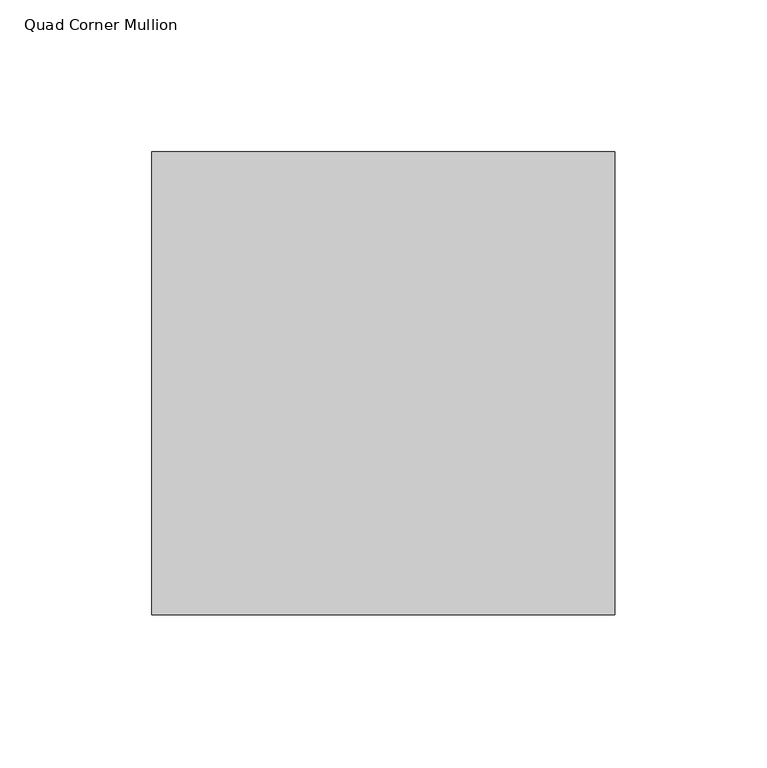
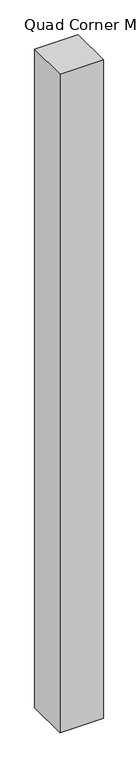
"""IFC4 building model written with IfcOpenShell, lengths in millimetres: member geometry, Quad Corner Mullion."""

from ifc_helpers import new_model, si_unit, frame, origin, place, context, project, spatial, polyline, outline, extrude, source, transform, mapped, element, save


def quad_corner_mullion_ce9979bd(model_context):
    return source(origin(), model_context, "Body", "SweptSolid", [
        extrude(outline(polyline([(76.2, -76.2), (-76.2, -76.2), (-76.2, 76.2), (76.2, 76.2), (76.2, -76.2)])), frame((0.0, 0.0, -2438.4), z_axis=(0.0, 0.0, 1.0), x_axis=(1.0, 0.0, 0.0)), (0.0, 0.0, 1.0), 2438.4),
    ])


if __name__ == "__main__":
    model = new_model("IFC4")
    model_context = context("Model", 3, world=origin())
    ifc_project = project(units=[si_unit("LENGTHUNIT", "METRE", prefix="MILLI")], contexts=[model_context])
    site = spatial("IfcSite", under=ifc_project)
    building = spatial("IfcBuilding", under=site)
    placement = place(None, origin())
    quad_corner_mullion_shape = quad_corner_mullion_ce9979bd(model_context)
    element("IfcMember", 1, ObjectType="Quad Corner Mullion", at=placement, inside=building, context=model_context, shape_type="MappedRepresentation", body=[
        mapped(quad_corner_mullion_shape, transform((0.0, 0.0, 0.0), x_axis=(1.0, 0.0, 0.0), y_axis=(0.0, 1.0, 0.0), z_axis=(0.0, 0.0, 1.0))),
    ])
    save(model, "model.ifc")
